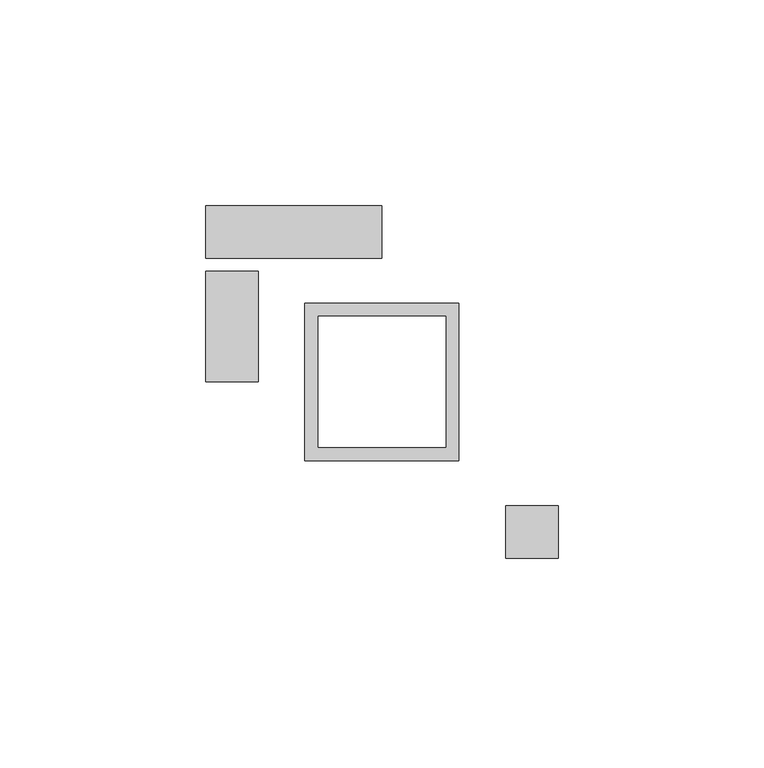
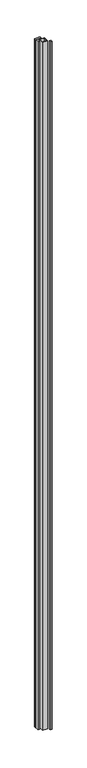
"""IFC4 building model written with IfcOpenShell, lengths in millimetres: column geometry."""

from ifc_helpers import new_model, si_unit, frame, origin, place, context, project, spatial, polyline, outline, extrude, source, transform, mapped, element, save


def column_a86c71dd(model_context):
    return source(origin(), model_context, "Body", "SweptSolid", [
        extrude(outline(polyline([(-42.8128906, 26.9378906), (-30.1128906, 26.9378906), (-30.1128906, 0.0), (-42.8128906, 0.0), (-42.8128906, 26.9378906)])), frame((0.0, 0.0, 14.1138425), z_axis=(0.0, 0.0, 1.0), x_axis=(1.0, 0.0, 0.0)), (0.0, 0.0, 1.0), 5610.597095),
        extrude(outline(polyline([(0.0, 30.1128906), (-42.8128906, 30.1128906), (-42.8128906, 42.8128906), (0.0, 42.8128906), (0.0, 30.1128906)])), frame((0.0, 0.0, 14.1138425), z_axis=(0.0, 0.0, 1.0), x_axis=(1.0, 0.0, 0.0)), (0.0, 0.0, 1.0), 5610.597095),
        extrude(outline(polyline([(42.8128906, -30.1128906), (42.8128906, -42.8128906), (30.1128906, -42.8128906), (30.1128906, -30.1128906), (42.8128906, -30.1128906)])), frame((0.0, 0.0, 14.1138425), z_axis=(0.0, 0.0, 1.0), x_axis=(1.0, 0.0, 0.0)), (0.0, 0.0, 1.0), 5610.597095),
        extrude(outline(polyline([(18.708265, -19.0998702), (-18.708265, -19.0998702), (-18.708265, 19.0998702), (18.708265, 19.0998702), (18.708265, -19.0998702)]), holes=[polyline([(-15.5216536, -15.9132588), (15.5216536, -15.9132588), (15.5216536, 15.9132588), (-15.5216536, 15.9132588), (-15.5216536, -15.9132588)])]), frame((0.0, 0.0, 14.1138425), z_axis=(0.0, 0.0, 1.0), x_axis=(1.0, 0.0, 0.0)), (0.0, 0.0, 1.0), 5610.597095),
    ])


if __name__ == "__main__":
    model = new_model("IFC4")
    model_context = context("Model", 3, world=origin())
    ifc_project = project(units=[si_unit("LENGTHUNIT", "METRE", prefix="MILLI")], contexts=[model_context])
    site = spatial("IfcSite", under=ifc_project)
    building = spatial("IfcBuilding", under=site)
    placement = place(None, origin())
    column_shape = column_a86c71dd(model_context)
    element("IfcColumn", 1, at=placement, inside=building, context=model_context, shape_type="MappedRepresentation", body=[
        mapped(column_shape, transform((0.0, 0.0, 0.0), x_axis=(1.0, 0.0, 0.0), y_axis=(0.0, 1.0, 0.0), z_axis=(0.0, 0.0, 1.0))),
    ])
    save(model, "model.ifc")
